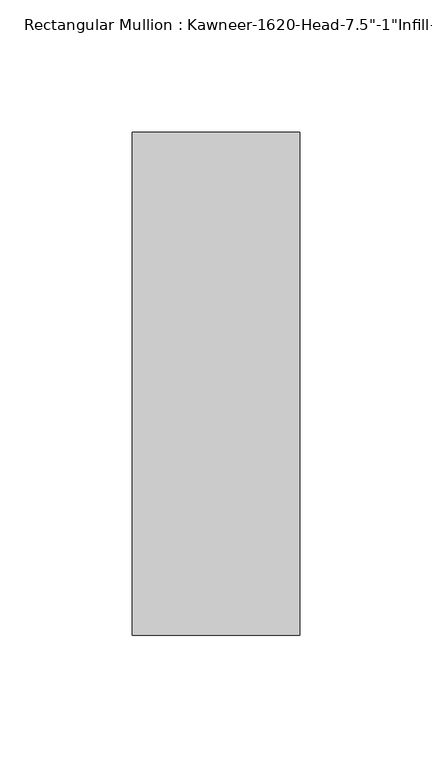
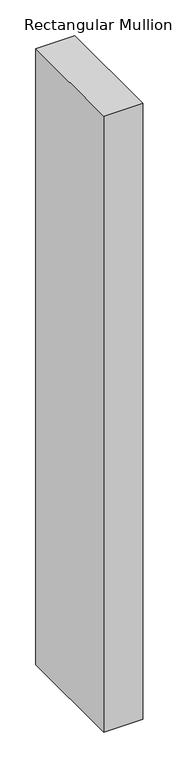
"""IFC4 building model written with IfcOpenShell, lengths in millimetres: member geometry."""

from ifc_helpers import new_model, si_unit, frame, origin, place, context, project, spatial, polyline, outline, extrude, source, transform, mapped, element, save


def member_ceadbf1f(model_context):
    return source(origin(), model_context, "Body", "SweptSolid", [
        extrude(outline(polyline([(-63.5, 38.1), (0.0, 38.1), (0.0, -152.4), (-63.5, -152.4), (-63.5, 38.1)])), frame((0.0, 0.0, -1054.1), z_axis=(0.0, 0.0, 1.0), x_axis=(1.0, 0.0, 0.0)), (0.0, 0.0, 1.0), 1054.1),
    ])


if __name__ == "__main__":
    model = new_model("IFC4")
    model_context = context("Model", 3, world=origin())
    ifc_project = project(units=[si_unit("LENGTHUNIT", "METRE", prefix="MILLI")], contexts=[model_context])
    site = spatial("IfcSite", under=ifc_project)
    building = spatial("IfcBuilding", under=site)
    placement = place(None, origin())
    member_shape = member_ceadbf1f(model_context)
    element("IfcMember", 1, ObjectType="Rectangular Mullion : Kawneer-1620-Head-7.5\"-1\"Infill-1A", at=placement, inside=building, context=model_context, shape_type="MappedRepresentation", body=[
        mapped(member_shape, transform((0.0, 0.0, 0.0), x_axis=(1.0, 0.0, 0.0), y_axis=(0.0, 1.0, 0.0), z_axis=(0.0, 0.0, 1.0))),
    ])
    save(model, "model.ifc")
